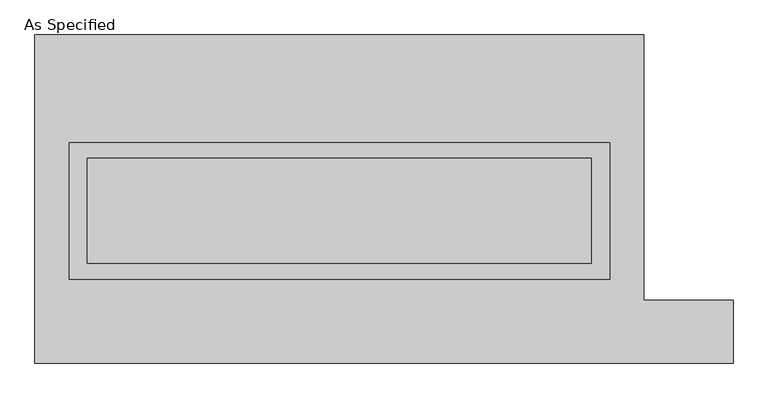
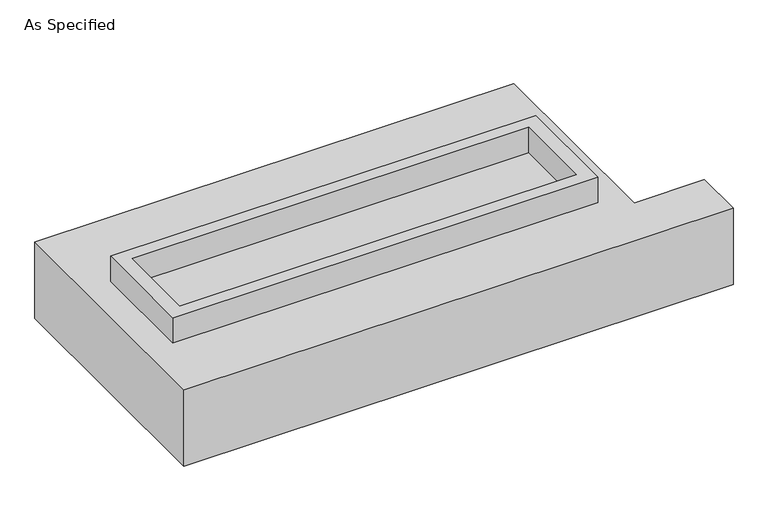
"""IFC4 building model written with IfcOpenShell, lengths in millimetres: proxy geometry, As Specified."""

from ifc_helpers import new_model, si_unit, frame, origin, place, context, project, spatial, polyline, outline, extrude, source, transform, mapped, element, save


def as_specified_592b4736(model_context):
    return source(origin(), model_context, "Body", "SweptSolid", [
        extrude(outline(polyline([(1308.1, 273.05), (1308.1, -387.35), (-1308.1, -387.35), (-1308.1, 273.05), (1308.1, 273.05)]), holes=[polyline([(1219.2, 196.85), (-1219.2, 196.85), (-1219.2, -311.15), (1219.2, -311.15), (1219.2, 196.85)])]), frame((0.0, 0.0, -688.975), z_axis=(0.0, 0.0, 1.0), x_axis=(1.0, 0.0, 0.0)), (0.0, 0.0, 1.0), 165.1),
        extrude(outline(polyline([(1308.1, 273.05), (1308.1, -387.35), (-1308.1, -387.35), (-1308.1, 273.05), (1308.1, 273.05)]), holes=[polyline([(1219.2, 196.85), (-1219.2, 196.85), (-1219.2, -311.15), (1219.2, -311.15), (1219.2, 196.85)])]), frame((0.0, 0.0, -25.4), z_axis=(0.0, 0.0, 1.0), x_axis=(1.0, 0.0, 0.0)), (0.0, 0.0, 1.0), 165.1),
        extrude(outline(polyline([(1219.2, 196.85), (1219.2, -311.15), (-1219.2, -311.15), (-1219.2, 196.85), (1219.2, 196.85)])), frame((0.0, 0.0, -523.875), z_axis=(0.0, 0.0, 1.0), x_axis=(1.0, 0.0, 0.0)), (0.0, 0.0, 1.0), 4.9609375),
        extrude(outline(polyline([(1219.2, 196.85), (1219.2, -311.15), (-1219.2, -311.15), (-1219.2, 196.85), (1219.2, 196.85)])), frame((0.0, 0.0, -30.3609375), z_axis=(0.0, 0.0, 1.0), x_axis=(1.0, 0.0, 0.0)), (0.0, 0.0, 1.0), 4.9609375),
        extrude(outline(polyline([(-1473.2, 793.75), (1473.2, 793.75), (1473.2, -488.95), (1905.0, -488.95), (1905.0, -793.75), (-1473.2, -793.75), (-1473.2, 793.75)]), holes=[polyline([(-1308.1, 273.05), (-1308.1, -387.35), (1308.1, -387.35), (1308.1, 273.05), (-1308.1, 273.05)])]), frame((0.0, 0.0, -523.875), z_axis=(0.0, 0.0, 1.0), x_axis=(1.0, 0.0, 0.0)), (0.0, 0.0, 1.0), 498.475),
    ])


if __name__ == "__main__":
    model = new_model("IFC4")
    model_context = context("Model", 3, world=origin())
    ifc_project = project(units=[si_unit("LENGTHUNIT", "METRE", prefix="MILLI")], contexts=[model_context])
    site = spatial("IfcSite", under=ifc_project)
    building = spatial("IfcBuilding", under=site)
    placement = place(None, origin())
    as_specified_shape = as_specified_592b4736(model_context)
    element("IfcBuildingElementProxy", 1, Name="As Specified", ObjectType="As Specified", at=placement, inside=building, context=model_context, shape_type="MappedRepresentation", body=[
        mapped(as_specified_shape, transform((0.0, 0.0, 0.0), x_axis=(1.0, 0.0, 0.0), y_axis=(0.0, 1.0, 0.0), z_axis=(0.0, 0.0, 1.0))),
    ])
    save(model, "model.ifc")
